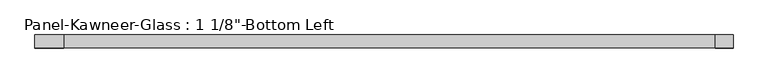
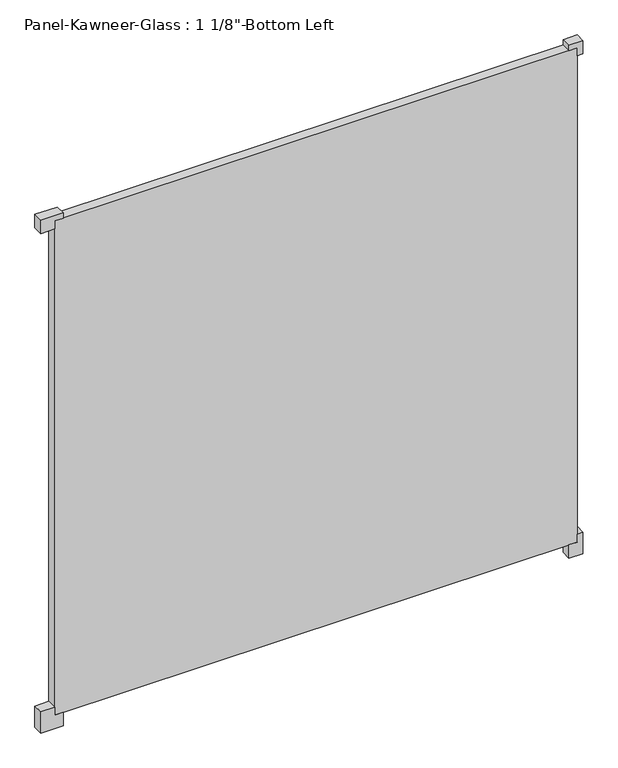
"""IFC4 building model written with IfcOpenShell, lengths in millimetres: plate geometry."""

from ifc_helpers import new_model, si_unit, frame, origin, origin_with_axes, place, context, project, spatial, polyline, outline, extrude, source, transform, mapped, element, save


def plate_20cd1bd6(model_context):
    return source(origin(), model_context, "Body", "SweptSolid", [
        extrude(outline(polyline([(-39.6875, 714.375), (-39.6875, 754.0625), (23.8125, 754.0625), (23.8125, 738.1875), (0.0, 738.1875), (0.0, 714.375), (-39.6875, 714.375)])), frame((0.0, -14.2210761, 0.0), z_axis=(0.0, 1.0, 0.0), x_axis=(0.0, 0.0, 1.0)), (0.0, 0.0, 1.0), 28.575),
        extrude(outline(polyline([(-39.6875, -714.375), (0.0, -714.375), (0.0, -738.1875), (23.8125, -738.1875), (23.8125, -777.875), (-39.6875, -777.875), (-39.6875, -714.375)])), frame((0.0, -14.2210761, 0.0), z_axis=(0.0, 1.0, 0.0), x_axis=(0.0, 0.0, 1.0)), (0.0, 0.0, 1.0), 28.575),
        extrude(outline(polyline([(1492.25, 714.375), (1476.375, 714.375), (1476.375, 738.1875), (1452.5625, 738.1875), (1452.5625, 754.0625), (1492.25, 754.0625), (1492.25, 714.375)])), frame((0.0, -14.2210761, 0.0), z_axis=(0.0, 1.0, 0.0), x_axis=(0.0, 0.0, 1.0)), (0.0, 0.0, 1.0), 28.575),
        extrude(outline(polyline([(1492.25, -714.375), (1492.25, -777.875), (1452.5625, -777.875), (1452.5625, -738.1875), (1476.375, -738.1875), (1476.375, -714.375), (1492.25, -714.375)])), frame((0.0, -14.2210761, 0.0), z_axis=(0.0, 1.0, 0.0), x_axis=(0.0, 0.0, 1.0)), (0.0, 0.0, 1.0), 28.575),
        extrude(outline(polyline([(738.1875, 14.3539239), (738.1875, -14.2210761), (-738.1875, -14.2210761), (-738.1875, 14.3539239), (738.1875, 14.3539239)])), origin_with_axes(), (0.0, 0.0, 1.0), 1476.375),
    ])


if __name__ == "__main__":
    model = new_model("IFC4")
    model_context = context("Model", 3, world=origin())
    ifc_project = project(units=[si_unit("LENGTHUNIT", "METRE", prefix="MILLI")], contexts=[model_context])
    site = spatial("IfcSite", under=ifc_project)
    building = spatial("IfcBuilding", under=site)
    placement = place(None, origin())
    plate_shape = plate_20cd1bd6(model_context)
    element("IfcPlate", 1, ObjectType="Panel-Kawneer-Glass : 1 1/8\"-Bottom Left", at=placement, inside=building, context=model_context, shape_type="MappedRepresentation", body=[
        mapped(plate_shape, transform((0.0, 0.0, 0.0), x_axis=(1.0, 0.0, 0.0), y_axis=(0.0, 1.0, 0.0), z_axis=(0.0, 0.0, 1.0))),
    ])
    save(model, "model.ifc")
